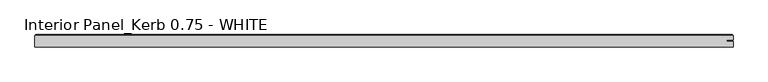
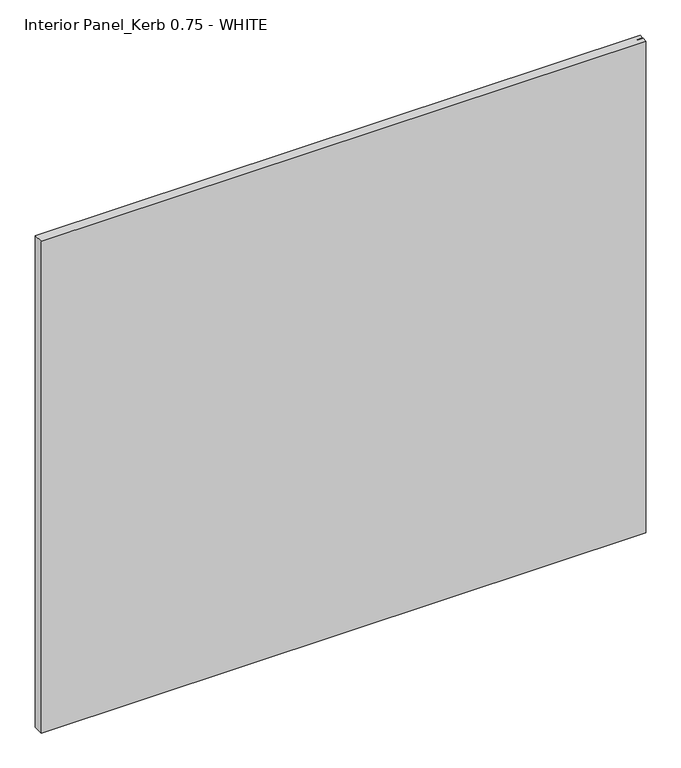
"""IFC4 building model written with IfcOpenShell, lengths in millimetres: proxy geometry, Interior Panel_Kerb 0.75 - WHITE."""

from ifc_helpers import new_model, si_unit, origin, place, context, project, spatial, faceted_brep, source, transform, mapped, element, save


def interior_panel_kerb_0_75_white_344c69b9(model_context):
    return source(origin(), model_context, "Body", "Brep", [
        faceted_brep([(990.6, -3.175, 914.4), (990.6, 5.2832, 914.4), (980.7773437, 5.2832, 914.4), (980.7773437, 7.4168, 914.4), (990.6, 7.4168, 914.4), (990.6, 14.2875, 914.4), (-73.025, 14.2875, 914.4), (-73.025, -3.175, 914.4), (990.6, -3.175, 0.0), (-73.025, -3.175, 0.0), (-73.025, 14.2875, 0.0), (990.6, 14.2875, 0.0), (990.6, 7.4168, 0.0), (980.7773437, 7.4168, 0.0), (980.7773437, 5.2832, 0.0), (990.6, 5.2832, 0.0), (-71.4375, 15.875, 912.8125), (989.0125, 15.875, 912.8125), (989.0125, 15.875, 1.5875), (-71.4375, 15.875, 1.5875)], [[[0, 1, 2, 3, 4, 5, 6, 7]], [[8, 9, 10, 11, 12, 13, 14, 15]], [[7, 9, 8, 0]], [[6, 10, 9, 7]], [[16, 17, 18, 19]], [[4, 12, 11, 5]], [[6, 16, 19, 10]], [[11, 18, 17, 5]], [[5, 17, 16, 6]], [[10, 19, 18, 11]], [[3, 13, 12, 4]], [[2, 14, 13, 3]], [[1, 15, 14, 2]], [[0, 8, 15, 1]]]),
    ])


if __name__ == "__main__":
    model = new_model("IFC4")
    model_context = context("Model", 3, world=origin())
    ifc_project = project(units=[si_unit("LENGTHUNIT", "METRE", prefix="MILLI")], contexts=[model_context])
    site = spatial("IfcSite", under=ifc_project)
    building = spatial("IfcBuilding", under=site)
    placement = place(None, origin())
    interior_panel_kerb_0_75_white_shape = interior_panel_kerb_0_75_white_344c69b9(model_context)
    element("IfcBuildingElementProxy", 1, Name="Interior Panel_Kerb 0.75 - WHITE", ObjectType="Interior Panel_Kerb 0.75 - WHITE", at=placement, inside=building, context=model_context, shape_type="MappedRepresentation", body=[
        mapped(interior_panel_kerb_0_75_white_shape, transform((0.0, 0.0, 0.0), x_axis=(1.0, 0.0, 0.0), y_axis=(0.0, 1.0, 0.0), z_axis=(0.0, 0.0, 1.0))),
    ])
    save(model, "model.ifc")
